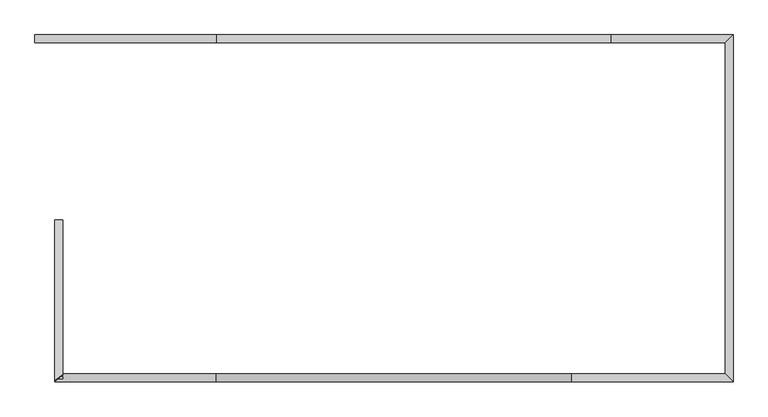
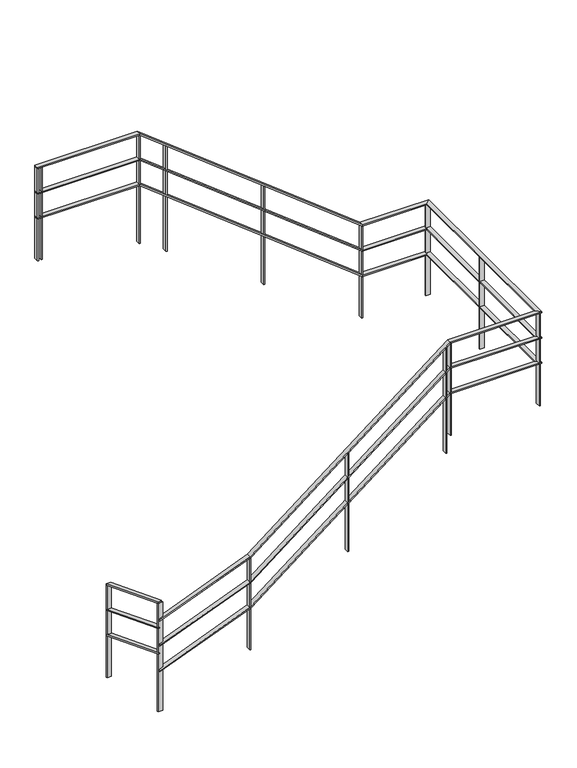
"""IFC4 building model written with IfcOpenShell, lengths in millimetres: railing geometry."""

from ifc_helpers import new_model, si_unit, frame, origin, place, context, project, spatial, polyline, outline, extrude, faceted_brep, source, transform, mapped, element, save


def railing_1eb0047a(model_context):
    return source(origin(), model_context, "Body", "SolidModel", [
        faceted_brep([(-2820.9784025, 14849.6868987, 1389.2091709), (-2820.9784025, 14849.6868987, 1402.0951769), (-2770.9784025, 14849.6868987, 1402.0951769), (-2770.9784025, 14849.6868987, 1389.2091709), (-2820.9784025, 13826.6877623, 1789.5131808), (-2770.9784025, 13864.9656205, 1774.5348885), (-2770.9784025, 13872.6860351, 1784.3998627), (-2820.9784025, 13834.4081769, 1799.378155)], [[[0, 1, 2, 3]], [[4, 5, 6, 7]], [[3, 2, 6, 5]], [[0, 3, 5, 4]], [[1, 0, 4, 7]], [[2, 1, 7, 6]]]),
        faceted_brep([(-2811.2571243, 13824.6868987, 1578.8827146), (-2818.9775389, 13824.6868987, 1588.7476887), (-2780.6996807, 13874.6868987, 1603.7259811), (-2772.9792661, 13874.6868987, 1593.8610069), (-1798.9837263, 13874.6868987, 1987.8757024), (-1792.9730787, 13874.6868987, 1977.3416889), (-1792.9730787, 13824.6868987, 1977.3416889), (451.9528762, 13874.6868987, 3749.4782609), (456.0903187, 13874.6868987, 3737.4782609), (456.0903187, 13824.6868987, 3737.4782609), (1429.0215975, 13874.6868987, 3749.4782609), (1429.0215975, 13874.6868987, 3737.4782609), (1479.0215975, 13824.6868987, 3737.4782609), (1429.0215975, 15974.6868987, 3749.4782609), (1429.0215975, 15974.6868987, 3737.4782609), (1479.0215975, 16024.6868987, 3737.4782609), (706.0903187, 15974.6868987, 3749.4782609), (701.9528762, 15974.6868987, 3737.4782609), (701.9528762, 16024.6868987, 3737.4782609), (-1793.9096813, 15974.6868987, 5706.0), (-1798.0471238, 15974.6868987, 5694.0), (-1798.0471238, 16024.6868987, 5694.0), (-1798.9837263, 13824.6868987, 1987.8757024), (451.9528762, 13824.6868987, 3749.4782609), (1479.0215975, 13824.6868987, 3749.4782609), (1479.0215975, 16024.6868987, 3749.4782609), (706.0903187, 16024.6868987, 3749.4782609), (-1793.9096813, 16024.6868987, 5706.0), (-2945.9784025, 16024.6868987, 5694.0), (-2945.9784025, 15974.6868987, 5694.0), (-2945.9784025, 15974.6868987, 5706.0), (-2945.9784025, 16024.6868987, 5706.0)], [[[0, 1, 2, 3]], [[3, 2, 4, 5]], [[0, 3, 5, 6]], [[5, 4, 7, 8]], [[6, 5, 8, 9]], [[8, 7, 10, 11]], [[9, 8, 11, 12]], [[11, 10, 13, 14]], [[12, 11, 14, 15]], [[14, 13, 16, 17]], [[15, 14, 17, 18]], [[17, 16, 19, 20]], [[18, 17, 20, 21]], [[1, 0, 6, 22]], [[2, 1, 22, 4]], [[22, 6, 9, 23]], [[4, 22, 23, 7]], [[23, 9, 12, 24]], [[7, 23, 24, 10]], [[24, 12, 15, 25]], [[10, 24, 25, 13]], [[25, 15, 18, 26]], [[13, 25, 26, 16]], [[26, 18, 21, 27]], [[16, 26, 27, 19]], [[28, 29, 30, 31]], [[27, 21, 28, 31]], [[19, 27, 31, 30]], [[20, 19, 30, 29]], [[21, 20, 29, 28]]]),
        faceted_brep([(-2820.9784025, 14849.6868987, 1089.2091709), (-2820.9784025, 14849.6868987, 1102.0951769), (-2770.9784025, 14849.6868987, 1102.0951769), (-2770.9784025, 14849.6868987, 1089.2091709), (-2820.9784025, 13826.6877623, 1489.5131808), (-2770.9784025, 13864.9656205, 1474.5348885), (-2770.9784025, 13872.6860351, 1484.3998627), (-2820.9784025, 13834.4081769, 1499.378155)], [[[0, 1, 2, 3]], [[4, 5, 6, 7]], [[3, 2, 6, 5]], [[0, 3, 5, 4]], [[1, 0, 4, 7]], [[2, 1, 7, 6]]]),
        faceted_brep([(-2811.2571243, 13824.6868987, 1278.8827146), (-2818.9775389, 13824.6868987, 1288.7476887), (-2780.6996807, 13874.6868987, 1303.7259811), (-2772.9792661, 13874.6868987, 1293.8610069), (-1798.9837263, 13874.6868987, 1687.8757024), (-1792.9730787, 13874.6868987, 1677.3416889), (-1792.9730787, 13824.6868987, 1677.3416889), (451.9528762, 13874.6868987, 3449.4782609), (456.0903187, 13874.6868987, 3437.4782609), (456.0903187, 13824.6868987, 3437.4782609), (1429.0215975, 13874.6868987, 3449.4782609), (1429.0215975, 13874.6868987, 3437.4782609), (1479.0215975, 13824.6868987, 3437.4782609), (1429.0215975, 15974.6868987, 3449.4782609), (1429.0215975, 15974.6868987, 3437.4782609), (1479.0215975, 16024.6868987, 3437.4782609), (706.0903187, 15974.6868987, 3449.4782609), (701.9528762, 15974.6868987, 3437.4782609), (701.9528762, 16024.6868987, 3437.4782609), (-1793.9096813, 15974.6868987, 5406.0), (-1798.0471238, 15974.6868987, 5394.0), (-1798.0471238, 16024.6868987, 5394.0), (-1798.9837263, 13824.6868987, 1687.8757024), (451.9528762, 13824.6868987, 3449.4782609), (1479.0215975, 13824.6868987, 3449.4782609), (1479.0215975, 16024.6868987, 3449.4782609), (706.0903187, 16024.6868987, 3449.4782609), (-1793.9096813, 16024.6868987, 5406.0), (-2945.9784025, 16024.6868987, 5394.0), (-2945.9784025, 15974.6868987, 5394.0), (-2945.9784025, 15974.6868987, 5406.0), (-2945.9784025, 16024.6868987, 5406.0)], [[[0, 1, 2, 3]], [[3, 2, 4, 5]], [[0, 3, 5, 6]], [[5, 4, 7, 8]], [[6, 5, 8, 9]], [[8, 7, 10, 11]], [[9, 8, 11, 12]], [[11, 10, 13, 14]], [[12, 11, 14, 15]], [[14, 13, 16, 17]], [[15, 14, 17, 18]], [[17, 16, 19, 20]], [[18, 17, 20, 21]], [[1, 0, 6, 22]], [[2, 1, 22, 4]], [[22, 6, 9, 23]], [[4, 22, 23, 7]], [[23, 9, 12, 24]], [[7, 23, 24, 10]], [[24, 12, 15, 25]], [[10, 24, 25, 13]], [[25, 15, 18, 26]], [[13, 25, 26, 16]], [[26, 18, 21, 27]], [[16, 26, 27, 19]], [[28, 29, 30, 31]], [[27, 21, 28, 31]], [[19, 27, 31, 30]], [[20, 19, 30, 29]], [[21, 20, 29, 28]]]),
        faceted_brep([(-2820.9784025, 14849.6868987, 789.2091709), (-2820.9784025, 14849.6868987, 802.0951769), (-2770.9784025, 14849.6868987, 802.0951769), (-2770.9784025, 14849.6868987, 789.2091709), (-2820.9784025, 13826.6877623, 1189.5131808), (-2770.9784025, 13864.9656205, 1174.5348885), (-2770.9784025, 13872.6860351, 1184.3998627), (-2820.9784025, 13834.4081769, 1199.378155)], [[[0, 1, 2, 3]], [[4, 5, 6, 7]], [[3, 2, 6, 5]], [[0, 3, 5, 4]], [[1, 0, 4, 7]], [[2, 1, 7, 6]]]),
        faceted_brep([(-2811.2571243, 13824.6868987, 978.8827146), (-2818.9775389, 13824.6868987, 988.7476887), (-2780.6996807, 13874.6868987, 1003.7259811), (-2772.9792661, 13874.6868987, 993.8610069), (-1798.9837263, 13874.6868987, 1387.8757024), (-1792.9730787, 13874.6868987, 1377.3416889), (-1792.9730787, 13824.6868987, 1377.3416889), (451.9528762, 13874.6868987, 3149.4782609), (456.0903187, 13874.6868987, 3137.4782609), (456.0903187, 13824.6868987, 3137.4782609), (1429.0215975, 13874.6868987, 3149.4782609), (1429.0215975, 13874.6868987, 3137.4782609), (1479.0215975, 13824.6868987, 3137.4782609), (1429.0215975, 15974.6868987, 3149.4782609), (1429.0215975, 15974.6868987, 3137.4782609), (1479.0215975, 16024.6868987, 3137.4782609), (706.0903187, 15974.6868987, 3149.4782609), (701.9528762, 15974.6868987, 3137.4782609), (701.9528762, 16024.6868987, 3137.4782609), (-1793.9096813, 15974.6868987, 5106.0), (-1798.0471238, 15974.6868987, 5094.0), (-1798.0471238, 16024.6868987, 5094.0), (-1798.9837263, 13824.6868987, 1387.8757024), (451.9528762, 13824.6868987, 3149.4782609), (1479.0215975, 13824.6868987, 3149.4782609), (1479.0215975, 16024.6868987, 3149.4782609), (706.0903187, 16024.6868987, 3149.4782609), (-1793.9096813, 16024.6868987, 5106.0), (-2945.9784025, 16024.6868987, 5094.0), (-2945.9784025, 15974.6868987, 5094.0), (-2945.9784025, 15974.6868987, 5106.0), (-2945.9784025, 16024.6868987, 5106.0)], [[[0, 1, 2, 3]], [[3, 2, 4, 5]], [[0, 3, 5, 6]], [[5, 4, 7, 8]], [[6, 5, 8, 9]], [[8, 7, 10, 11]], [[9, 8, 11, 12]], [[11, 10, 13, 14]], [[12, 11, 14, 15]], [[14, 13, 16, 17]], [[15, 14, 17, 18]], [[17, 16, 19, 20]], [[18, 17, 20, 21]], [[1, 0, 6, 22]], [[2, 1, 22, 4]], [[22, 6, 9, 23]], [[4, 22, 23, 7]], [[23, 9, 12, 24]], [[7, 23, 24, 10]], [[24, 12, 15, 25]], [[10, 24, 25, 13]], [[25, 15, 18, 26]], [[13, 25, 26, 16]], [[26, 18, 21, 27]], [[16, 26, 27, 19]], [[28, 29, 30, 31]], [[27, 21, 28, 31]], [[19, 27, 31, 30]], [[20, 19, 30, 29]], [[21, 20, 29, 28]]]),
        extrude(outline(polyline([(-2889.9784025, 16024.6868987), (-2889.9784025, 15974.6868987), (-2901.9784025, 15974.6868987), (-2901.9784025, 16024.6868987), (-2889.9784025, 16024.6868987)])), frame((0.0, 0.0, 4600.0), z_axis=(0.0, 0.0, 1.0), x_axis=(1.0, 0.0, 0.0)), (0.0, 0.0, 1.0), 1094.0),
        extrude(outline(polyline([(4208.6956522, -1489.9784025), (5452.9027399, -1489.9784025), (5462.2940442, -1501.9784025), (4208.6956522, -1501.9784025), (4208.6956522, -1489.9784025)])), frame((0.0, 15974.6868987, 0.0), z_axis=(0.0, 1.0, 0.0), x_axis=(0.0, 0.0, 1.0)), (0.0, 0.0, 1.0), 50.0),
        extrude(outline(polyline([(3426.0869565, -389.9784025), (4592.0331747, -389.9784025), (4601.424479, -401.9784025), (3426.0869565, -401.9784025), (3426.0869565, -389.9784025)])), frame((0.0, 15974.6868987, 0.0), z_axis=(0.0, 1.0, 0.0), x_axis=(0.0, 0.0, 1.0)), (0.0, 0.0, 1.0), 50.0),
        extrude(outline(polyline([(1479.0215975, 14943.6868987), (1429.0215975, 14943.6868987), (1429.0215975, 14955.6868987), (1479.0215975, 14955.6868987), (1479.0215975, 14943.6868987)])), frame((0.0, 0.0, 2643.4782609), z_axis=(0.0, 0.0, 1.0), x_axis=(1.0, 0.0, 0.0)), (0.0, 0.0, 1.0), 1094.0),
        extrude(outline(polyline([(3692.0331747, 398.0215975), (2447.826087, 398.0215975), (2447.826087, 410.0215975), (3701.424479, 410.0215975), (3692.0331747, 398.0215975)])), frame((0.0, 13824.6868987, 0.0), z_axis=(0.0, 1.0, 0.0), x_axis=(0.0, 0.0, 1.0)), (0.0, 0.0, 1.0), 50.0),
        extrude(outline(polyline([(2831.1636095, -701.9784025), (1665.2173913, -701.9784025), (1665.2173913, -689.9784025), (2840.5549138, -689.9784025), (2831.1636095, -701.9784025)])), frame((0.0, 13824.6868987, 0.0), z_axis=(0.0, 1.0, 0.0), x_axis=(0.0, 0.0, 1.0)), (0.0, 0.0, 1.0), 50.0),
        extrude(outline(polyline([(-1789.9784025, 16024.6868987), (-1789.9784025, 15974.6868987), (-1801.9784025, 15974.6868987), (-1801.9784025, 16024.6868987), (-1789.9784025, 16024.6868987)])), frame((0.0, 0.0, 4404.3478261), z_axis=(0.0, 0.0, 1.0), x_axis=(1.0, 0.0, 0.0)), (0.0, 0.0, 1.0), 1289.6521739),
        extrude(outline(polyline([(710.0215975, 16024.6868987), (710.0215975, 15974.6868987), (698.0215975, 15974.6868987), (698.0215975, 16024.6868987), (710.0215975, 16024.6868987)])), frame((0.0, 0.0, 2643.4782609), z_axis=(0.0, 0.0, 1.0), x_axis=(1.0, 0.0, 0.0)), (0.0, 0.0, 1.0), 1094.0),
        extrude(outline(polyline([(1479.0215975, 15993.6868987), (1429.0215975, 15993.6868987), (1429.0215975, 16005.6868987), (1479.0215975, 16005.6868987), (1479.0215975, 15993.6868987)])), frame((0.0, 0.0, 2643.4782609), z_axis=(0.0, 0.0, 1.0), x_axis=(1.0, 0.0, 0.0)), (0.0, 0.0, 1.0), 1094.0),
        extrude(outline(polyline([(1448.0215975, 13824.6868987), (1448.0215975, 13874.6868987), (1460.0215975, 13874.6868987), (1460.0215975, 13824.6868987), (1448.0215975, 13824.6868987)])), frame((0.0, 0.0, 2643.4782609), z_axis=(0.0, 0.0, 1.0), x_axis=(1.0, 0.0, 0.0)), (0.0, 0.0, 1.0), 1094.0),
        extrude(outline(polyline([(3731.1636095, 448.0215975), (2643.4782609, 448.0215975), (2643.4782609, 460.0215975), (3740.5549138, 460.0215975), (3731.1636095, 448.0215975)])), frame((0.0, 13824.6868987, 0.0), z_axis=(0.0, 1.0, 0.0), x_axis=(0.0, 0.0, 1.0)), (0.0, 0.0, 1.0), 50.0),
        extrude(outline(polyline([(1973.8178666, -1801.9784025), (882.6086957, -1801.9784025), (882.6086957, -1789.9784025), (1978.5135188, -1789.9784025), (1973.8178666, -1801.9784025)])), frame((0.0, 13824.6868987, 0.0), z_axis=(0.0, 1.0, 0.0), x_axis=(0.0, 0.0, 1.0)), (0.0, 0.0, 1.0), 50.0),
        extrude(outline(polyline([(13855.6868987, 1778.1656927), (13855.6868987, 491.3043478), (13843.6868987, 491.3043478), (13843.6868987, 1782.8613449), (13855.6868987, 1778.1656927)])), frame((-2820.9784025, 0.0, 0.0), z_axis=(1.0, 0.0, 0.0), x_axis=(0.0, 1.0, 0.0)), (0.0, 0.0, 1.0), 50.0),
        extrude(outline(polyline([(-2933.9784025, 16024.6868987), (-2933.9784025, 15974.6868987), (-2945.9784025, 15974.6868987), (-2945.9784025, 16024.6868987), (-2933.9784025, 16024.6868987)])), frame((0.0, 0.0, 4600.0), z_axis=(0.0, 0.0, 1.0), x_axis=(1.0, 0.0, 0.0)), (0.0, 0.0, 1.0), 1094.0),
        extrude(outline(polyline([(14849.6868987, 1389.2091709), (14849.6868987, 295.6521739), (14837.6868987, 295.6521739), (14837.6868987, 1393.9048231), (14849.6868987, 1389.2091709)])), frame((-2820.9784025, 0.0, 0.0), z_axis=(1.0, 0.0, 0.0), x_axis=(0.0, 1.0, 0.0)), (0.0, 0.0, 1.0), 50.0),
    ])


if __name__ == "__main__":
    model = new_model("IFC4")
    model_context = context("Model", 3, world=origin())
    ifc_project = project(units=[si_unit("LENGTHUNIT", "METRE", prefix="MILLI")], contexts=[model_context])
    site = spatial("IfcSite", under=ifc_project)
    building = spatial("IfcBuilding", under=site)
    placement = place(None, origin())
    railing_shape = railing_1eb0047a(model_context)
    element("IfcRailing", 1, at=placement, inside=building, context=model_context, shape_type="MappedRepresentation", body=[
        mapped(railing_shape, transform((0.0, 0.0, 0.0), x_axis=(1.0, 0.0, 0.0), y_axis=(0.0, 1.0, 0.0), z_axis=(0.0, 0.0, 1.0))),
    ])
    save(model, "model.ifc")
